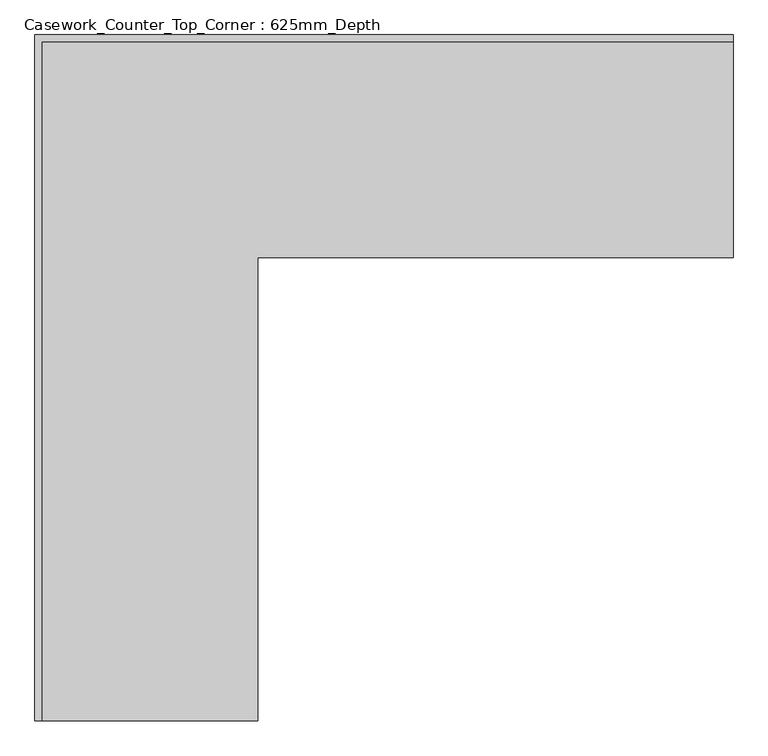
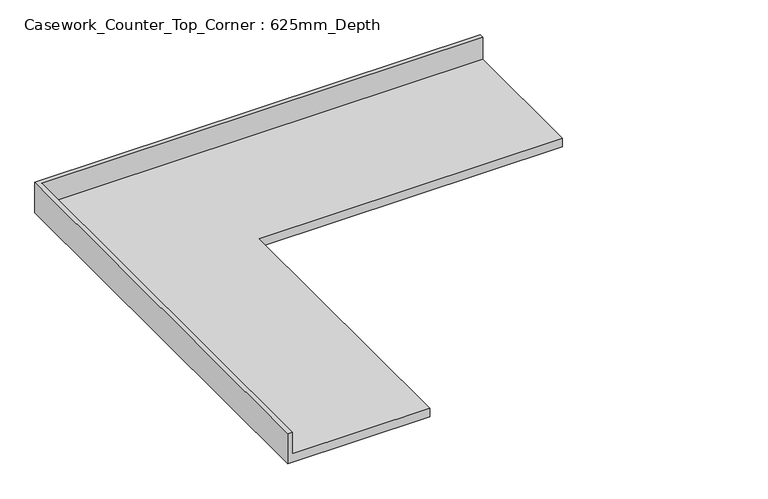
"""IFC4 building model written with IfcOpenShell, lengths in millimetres: furniture geometry, Casework_Counter_Top_Corner : 625mm_Depth."""

from ifc_helpers import new_model, si_unit, origin, place, context, project, spatial, faceted_brep, source, transform, mapped, element, save


def casework_counter_top_corner_625mm_depth_adb0136f(model_context):
    return source(origin(), model_context, "Body", "Brep", [
        faceted_brep([(-575.4622951, -1927.158822, 900.0), (-575.4622951, -625.0, 900.0), (759.5377049, -625.0, 900.0), (759.5377049, -19.05, 900.0), (-1181.4122951, -19.05, 900.0), (-1181.4122951, -1927.158822, 900.0), (759.5377049, 0.0, 860.0), (759.5377049, -625.0, 860.0), (-575.4622951, -625.0, 860.0), (-575.4622951, -1927.158822, 860.0), (-1200.4622951, -1927.158822, 860.0), (-1200.4622951, 0.0, 860.0), (-1200.4622951, 0.0, 1001.6), (759.5377049, 0.0, 1001.6), (-1200.4622951, -1927.158822, 1001.6), (-1181.4122951, -1927.158822, 1001.6), (759.5377049, -19.05, 1001.6), (-1181.4122951, -19.05, 1001.6)], [[[0, 1, 2, 3, 4, 5]], [[6, 7, 8, 9, 10, 11]], [[6, 11, 12, 13]], [[11, 10, 14, 12]], [[14, 10, 9, 0, 5, 15]], [[1, 0, 9, 8]], [[2, 1, 8, 7]], [[7, 6, 13, 16, 3, 2]], [[12, 14, 15, 17, 16, 13]], [[3, 16, 17, 4]], [[17, 15, 5, 4]]]),
    ])


if __name__ == "__main__":
    model = new_model("IFC4")
    model_context = context("Model", 3, world=origin())
    ifc_project = project(units=[si_unit("LENGTHUNIT", "METRE", prefix="MILLI")], contexts=[model_context])
    site = spatial("IfcSite", under=ifc_project)
    building = spatial("IfcBuilding", under=site)
    placement = place(None, origin())
    casework_counter_top_corner_625mm_depth_shape = casework_counter_top_corner_625mm_depth_adb0136f(model_context)
    element("IfcFurniture", 1, ObjectType="Casework_Counter_Top_Corner : 625mm_Depth", at=placement, inside=building, context=model_context, shape_type="MappedRepresentation", body=[
        mapped(casework_counter_top_corner_625mm_depth_shape, transform((0.0, 0.0, 0.0), x_axis=(1.0, 0.0, 0.0), y_axis=(0.0, 1.0, 0.0), z_axis=(0.0, 0.0, 1.0))),
    ])
    save(model, "model.ifc")
